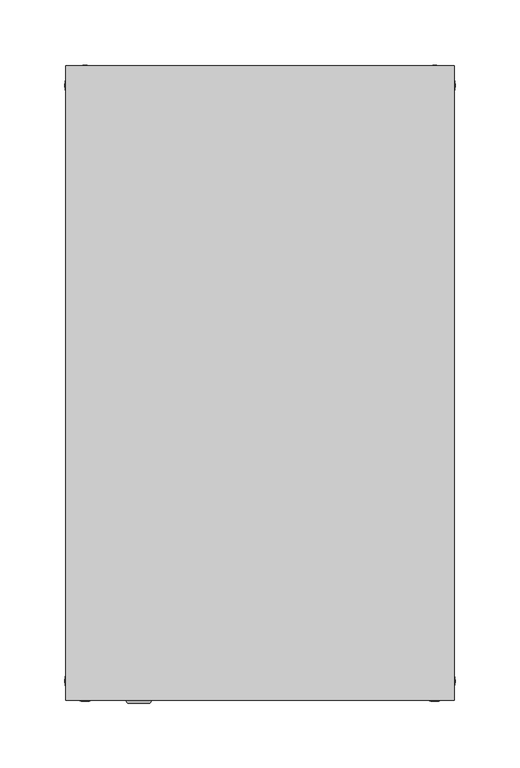
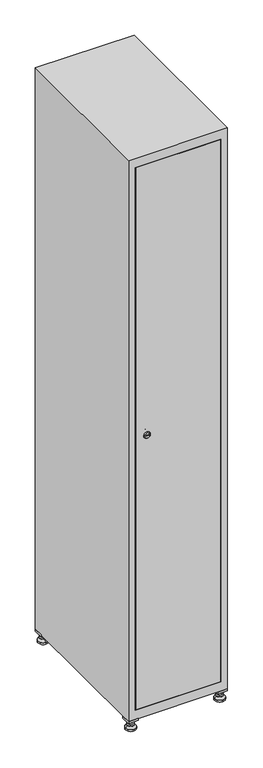
"""IFC4 building model written with IfcOpenShell, lengths in millimetres: furniture geometry."""

import ifcopenshell
import ifcopenshell.guid

model = None  # the IFC model being written
_history = None  # IfcOwnerHistory: only IFC2X3 demands one
_inside = {}  # id of a spatial element -> (the spatial element, [elements in it])
_under = {}  # id of a project, library or spatial element -> (it, [spatial elements below it])
_declared = {}  # id of a project -> (the project, [libraries it declares])
_typed = {}  # id of a type object -> (the type object, [elements of that type])
_made_of = {}  # id of a material, layer set ... -> (it, [elements and type objects made of it])


def new_model(schema):
    """Start an empty IFC model of exactly this schema.

    Asked for "IFC4X3", IfcOpenShell would pick the latest addendum, in which some entities
    have other attributes; the version numbers below select the first issue.
    IFC2X3 requires an IfcOwnerHistory on every rooted entity: one is made here for all.
    """
    global model, _history
    if schema == "IFC4X3":
        model = ifcopenshell.file(schema_version=(4, 3, 0, 0))
    else:
        model = ifcopenshell.file(schema=schema)
    _inside.clear()
    _under.clear()
    _declared.clear()
    _typed.clear()
    _made_of.clear()
    _history = None
    if model.schema == "IFC2X3":
        org = make("IfcOrganization", Name="unknown")
        user = make(
            "IfcPersonAndOrganization",
            ThePerson=make("IfcPerson", FamilyName="unknown"),
            TheOrganization=org,
        )
        app = make(
            "IfcApplication",
            ApplicationDeveloper=org,
            Version="unknown",
            ApplicationFullName="unknown",
            ApplicationIdentifier="unknown",
        )
        _history = make(
            "IfcOwnerHistory",
            OwningUser=user,
            OwningApplication=app,
            ChangeAction="ADDED",
            CreationDate=0,
        )
    return model


def make(cls, **values):
    """One entity of the class cls with the attributes given. An attribute that is None is left unset."""
    return model.create_entity(
        cls, **{name: value for name, value in values.items() if value is not None}
    )


def rooted(cls, **values):
    """An entity with a GlobalId (a new one), such as an element, a storey or a relation."""
    return make(cls, GlobalId=ifcopenshell.guid.new(), OwnerHistory=_history, **values)


def si_unit(unit_type, name, prefix=None):
    """IfcSIUnit, for example si_unit("LENGTHUNIT", "METRE", prefix="MILLI")."""
    return make("IfcSIUnit", UnitType=unit_type, Prefix=prefix, Name=name)


def assignment(units):
    """IfcUnitAssignment: the units of a project."""
    return None if units is None else make("IfcUnitAssignment", Units=units)


def point(xyz):
    """IfcCartesianPoint."""
    return None if xyz is None else make("IfcCartesianPoint", Coordinates=xyz)


def direction(xyz):
    """IfcDirection."""
    return None if xyz is None else make("IfcDirection", DirectionRatios=xyz)


def frame(location, z_axis=None, x_axis=None):
    """IfcAxis2Placement3D, a coordinate frame: its origin and axes. An axis left out is left unset."""
    return make(
        "IfcAxis2Placement3D",
        Location=point(location),
        Axis=direction(z_axis),
        RefDirection=direction(x_axis),
    )


def frame_2d(location, x_axis=None):
    """IfcAxis2Placement2D, a coordinate frame in the plane: its origin and x axis."""
    return make(
        "IfcAxis2Placement2D", Location=point(location), RefDirection=direction(x_axis)
    )


def origin():
    """The frame at (0, 0, 0) with its axes left unset."""
    return frame((0.0, 0.0, 0.0))


def origin_with_axes():
    """The frame at (0, 0, 0) with the z axis (0, 0, 1) and the x axis (1, 0, 0) written out."""
    return frame((0.0, 0.0, 0.0), z_axis=(0.0, 0.0, 1.0), x_axis=(1.0, 0.0, 0.0))


def place(relative_to, where):
    """IfcLocalPlacement: puts the frame where relative to a parent placement (None: the world)."""
    return make(
        "IfcLocalPlacement", PlacementRelTo=relative_to, RelativePlacement=where
    )


def context(
    kind, dimensions, precision=None, world=None, true_north=None, identifier=None
):
    """IfcGeometricRepresentationContext, for example the 3D "Model" context."""
    return make(
        "IfcGeometricRepresentationContext",
        ContextIdentifier=identifier,
        ContextType=kind,
        CoordinateSpaceDimension=dimensions,
        Precision=precision,
        WorldCoordinateSystem=world,
        TrueNorth=true_north,
    )


def project(units=None, contexts=None):
    """IfcProject with its units and contexts."""
    return rooted(
        "IfcProject",
        Name="project",
        RepresentationContexts=contexts,
        UnitsInContext=assignment(units),
    )


def spatial(cls, under=None, at=None, **own):
    """A site, building, storey or space (cls), placed at a placement, below another one or the project."""
    s = rooted(cls, ObjectPlacement=at, **own)
    if under is not None:
        _under.setdefault(under.id(), (under, []))[1].append(s)
    return s


def polyline(points):
    """IfcPolyline through the points."""
    return make("IfcPolyline", Points=[point(p) for p in points])


def circle_curve(where, radius):
    """IfcCircle in the frame where."""
    return make("IfcCircle", Position=where, Radius=radius)


def trimmed(basis, trim1, trim2, sense, master):
    """IfcTrimmedCurve: the piece of a basis curve between two trims."""
    return make(
        "IfcTrimmedCurve",
        BasisCurve=basis,
        Trim1=trim1,
        Trim2=trim2,
        SenseAgreement=sense,
        MasterRepresentation=master,
    )


def segment(curve, same_sense, transition):
    """IfcCompositeCurveSegment."""
    return make(
        "IfcCompositeCurveSegment",
        Transition=transition,
        SameSense=same_sense,
        ParentCurve=curve,
    )


def composite_curve(segments, self_intersect=None):
    """IfcCompositeCurve: segments joined end to end."""
    return make("IfcCompositeCurve", Segments=segments, SelfIntersect=self_intersect)


def outline(outer, holes=None, kind="AREA"):
    """IfcArbitraryClosedProfileDef: a profile drawn as a closed curve; with holes, ...WithVoids."""
    if holes is None:
        return make("IfcArbitraryClosedProfileDef", ProfileType=kind, OuterCurve=outer)
    return make(
        "IfcArbitraryProfileDefWithVoids",
        ProfileType=kind,
        OuterCurve=outer,
        InnerCurves=holes,
    )


def extrude(swept, where, along, depth):
    """IfcExtrudedAreaSolid: the profile swept, set in the frame where, extruded along a direction by depth."""
    return make(
        "IfcExtrudedAreaSolid",
        SweptArea=swept,
        Position=where,
        ExtrudedDirection=direction(along),
        Depth=depth,
    )


def faces_of(points, faces, orient=None, outer=None):
    """IfcFace entities. A face is a list of loops; a loop is a list of indices into points, from 0.

    orient and outer hold one flag for each loop. By default every Orientation is true, the
    first loop of a face is its IfcFaceOuterBound and the others are IfcFaceBound.
    """
    made = []
    for i, loops in enumerate(faces):
        bounds = []
        for j, loop in enumerate(loops):
            is_outer = j == 0 if outer is None else outer[i][j]
            bounds.append(
                make(
                    "IfcFaceOuterBound" if is_outer else "IfcFaceBound",
                    Bound=make("IfcPolyLoop", Polygon=[points[k] for k in loop]),
                    Orientation=True if orient is None else orient[i][j],
                )
            )
        made.append(make("IfcFace", Bounds=bounds))
    return made


def faceted_brep(points, faces, orient=None, outer=None, voids=None):
    """IfcFacetedBrep: a solid bounded by flat faces; with voids (closed shells), ...WithVoids."""
    shared = [point(p) for p in points]
    hull = make("IfcClosedShell", CfsFaces=faces_of(shared, faces, orient, outer))
    if voids is None:
        return make("IfcFacetedBrep", Outer=hull)
    return make(
        "IfcFacetedBrepWithVoids",
        Outer=hull,
        Voids=[
            make(cls, CfsFaces=faces_of(shared, fs, o, b)) for cls, fs, o, b in voids
        ],
    )


def shape(context_of_items, identifier, shape_type, items):
    """IfcShapeRepresentation: the items that make up one representation, for example the "Body"."""
    return make(
        "IfcShapeRepresentation",
        ContextOfItems=context_of_items,
        RepresentationIdentifier=identifier,
        RepresentationType=shape_type,
        Items=items,
    )


def source(mapping_origin, context_of_items, identifier, shape_type, items):
    """IfcRepresentationMap: a shape defined once, which mapped items show again and again."""
    return make(
        "IfcRepresentationMap",
        MappingOrigin=mapping_origin,
        MappedRepresentation=shape(context_of_items, identifier, shape_type, items),
    )


def transform(
    local_origin,
    x_axis=None,
    y_axis=None,
    z_axis=None,
    scale=None,
    scale2=None,
    scale3=None,
    uniform=True,
):
    """IfcCartesianTransformationOperator3D, or its non-uniform kind. x_axis, y_axis, z_axis: its Axis1, 2, 3."""
    if uniform:
        return make(
            "IfcCartesianTransformationOperator3D",
            Axis1=direction(x_axis),
            Axis2=direction(y_axis),
            LocalOrigin=point(local_origin),
            Scale=scale,
            Axis3=direction(z_axis),
        )
    return make(
        "IfcCartesianTransformationOperator3DnonUniform",
        Axis1=direction(x_axis),
        Axis2=direction(y_axis),
        LocalOrigin=point(local_origin),
        Scale=scale,
        Axis3=direction(z_axis),
        Scale2=scale2,
        Scale3=scale3,
    )


def mapped(mapping_source, mapping_target):
    """IfcMappedItem: shows the shape of a source again, moved by a transform."""
    return make(
        "IfcMappedItem", MappingSource=mapping_source, MappingTarget=mapping_target
    )


def made_of(thing, what):
    """Note that an element or type object is made of a material, layer set ...; save() writes the relation."""
    if what is not None:
        _made_of.setdefault(what.id(), (what, []))[1].append(thing)
    return thing


def element(
    cls,
    number,
    at=None,
    inside=None,
    cuts=None,
    type_object=None,
    material=None,
    context=None,
    identifier="Body",
    shape_type=None,
    held_by="IfcProductDefinitionShape",
    body=None,
    shapes=None,
    **own,
):
    """One element of the class cls, such as IfcWall. Its Tag is "e" and its number.

    at: its placement. inside: the storey or other place that contains it. cuts: it is an
    opening in that element (IfcRelVoidsElement). A single representation is given by context,
    identifier, shape_type and body (its items); several are given by shapes. held_by: the class
    of the entity that holds the representations. save() writes the other relations.
    """
    e = rooted(cls, Tag="e%d" % number, ObjectPlacement=at, **own)
    if body is not None:
        shapes = [shape(context, identifier, shape_type, body)]
    if shapes is not None:
        e.Representation = make(held_by, Representations=shapes)
    if inside is not None:
        _inside.setdefault(inside.id(), (inside, []))[1].append(e)
    if cuts is not None:
        rooted(
            "IfcRelVoidsElement", RelatingBuildingElement=cuts, RelatedOpeningElement=e
        )
    if type_object is not None:
        _typed.setdefault(type_object.id(), (type_object, []))[1].append(e)
    return made_of(e, material)


def aggregate(whole, parts):
    """IfcRelAggregates: a whole, such as a stair, and the parts it consists of."""
    return rooted("IfcRelAggregates", RelatingObject=whole, RelatedObjects=parts)


def save(model, path):
    """Write the relations noted so far, then the file.

    IfcRelAggregates (storeys below a building ...), IfcRelContainedInSpatialStructure (elements
    in a storey), IfcRelDefinesByType, IfcRelAssociatesMaterial and IfcRelDeclares: one each for
    every whole, place, type object, material and project.
    """
    for whole, parts in _under.values():
        aggregate(whole, parts)
    for where, things in _inside.values():
        rooted(
            "IfcRelContainedInSpatialStructure",
            RelatedElements=things,
            RelatingStructure=where,
        )
    for kind, things in _typed.values():
        rooted("IfcRelDefinesByType", RelatedObjects=things, RelatingType=kind)
    for what, things in _made_of.values():
        rooted("IfcRelAssociatesMaterial", RelatedObjects=things, RelatingMaterial=what)
    for by, libraries in _declared.values():
        rooted("IfcRelDeclares", RelatingContext=by, RelatedDefinitions=libraries)
    model.write(path)


def plane_surface(at):
    """IfcPlane: the flat surface through the origin of the frame at, square to its z axis."""
    return make("IfcPlane", Position=at)


def revolved_surface(curve, axis_point, axis_direction):
    """IfcSurfaceOfRevolution: the curve turned about the line through axis_point along axis_direction."""
    return make(
        "IfcSurfaceOfRevolution",
        SweptCurve=make("IfcArbitraryOpenProfileDef", ProfileType="CURVE", Curve=curve),
        AxisPosition=make("IfcAxis1Placement", Location=point(axis_point), Axis=direction(axis_direction)),
    )


def advanced_brep(points, edges, surfaces, faces):
    """IfcAdvancedBrep: a solid bounded by faces that lie on surfaces and meet in shared edges.

    An edge is (start, end): straight between two places in points (the first is 0);
    or (start, end, curve); or (start, end, curve, False) where it runs against its curve.
    A face is (place in surfaces, loops), or (place, loops, False) where it looks against
    its surface's normal. A loop lists edges by number (the first is 1), with a minus sign
    where the edge is run from its end to its start. The first loop is the outer one.
    """
    corners = [point(p) for p in points]
    vertices = [make("IfcVertexPoint", VertexGeometry=c) for c in corners]
    made = []
    for start, end, *more in edges:
        made.append(
            make(
                "IfcEdgeCurve",
                EdgeStart=vertices[start],
                EdgeEnd=vertices[end],
                EdgeGeometry=more[0] if more else make("IfcPolyline", Points=[corners[start], corners[end]]),
                SameSense=more[1] if len(more) > 1 else True,
            )
        )
    hull = []
    for where, loops, *sense in faces:
        bounds = []
        for j, loop in enumerate(loops):
            ring = [make("IfcOrientedEdge", EdgeElement=made[abs(k) - 1], Orientation=k > 0) for k in loop]
            bounds.append(
                make(
                    "IfcFaceOuterBound" if j == 0 else "IfcFaceBound",
                    Bound=make("IfcEdgeLoop", EdgeList=ring),
                    Orientation=True,
                )
            )
        hull.append(make("IfcAdvancedFace", Bounds=bounds, FaceSurface=surfaces[where], SameSense=sense[0] if sense else True))
    return make("IfcAdvancedBrep", Outer=make("IfcClosedShell", CfsFaces=hull))


def furniture_f16ef506(model_context):
    return source(origin(), model_context, "Body", "SolidModel", [
        extrude(outline(polyline([(100.0, 245.0), (100.0, 215.0), (70.0, 215.0), (70.0, 245.0), (100.0, 245.0)]), holes=[polyline([(98.0, 243.0), (72.0, 243.0), (72.0, 217.0), (98.0, 217.0), (98.0, 243.0)])]), frame((0.0, 0.0, 28.5), z_axis=(0.0, 0.0, 1.0), x_axis=(1.0, 0.0, 0.0)), (0.0, 0.0, 1.0), 6.5),
        extrude(outline(polyline([(70.0, -245.0), (70.0, -215.0), (100.0, -215.0), (100.0, -245.0), (70.0, -245.0)]), holes=[polyline([(72.0, -243.0), (98.0, -243.0), (98.0, -217.0), (72.0, -217.0), (72.0, -243.0)])]), frame((0.0, 0.0, 28.5), z_axis=(0.0, 0.0, 1.0), x_axis=(1.0, 0.0, 0.0)), (0.0, 0.0, 1.0), 6.5),
        extrude(outline(polyline([(-170.0, 245.0), (-170.0, 215.0), (-200.0, 215.0), (-200.0, 245.0), (-170.0, 245.0)]), holes=[polyline([(-172.0, 243.0), (-198.0, 243.0), (-198.0, 217.0), (-172.0, 217.0), (-172.0, 243.0)])]), frame((0.0, 0.0, 28.5), z_axis=(0.0, 0.0, 1.0), x_axis=(1.0, 0.0, 0.0)), (0.0, 0.0, 1.0), 6.5),
        extrude(outline(polyline([(-170.0, -215.0), (-170.0, -245.0), (-200.0, -245.0), (-200.0, -215.0), (-170.0, -215.0)]), holes=[polyline([(-198.0, -243.0), (-172.0, -243.0), (-172.0, -217.0), (-198.0, -217.0), (-198.0, -243.0)])]), frame((0.0, 0.0, 28.5), z_axis=(0.0, 0.0, 1.0), x_axis=(1.0, 0.0, 0.0)), (0.0, 0.0, 1.0), 6.5),
        extrude(outline(composite_curve([segment(trimmed(circle_curve(frame_2d((-185.0, 230.0)), 5.0), [point((-180.0, 230.0))], [point((-190.0, 230.0))], False, "CARTESIAN"), True, "CONTINUOUS"), segment(trimmed(circle_curve(frame_2d((-185.0, 230.0)), 5.0), [point((-190.0, 230.0))], [point((-180.0, 230.0))], False, "CARTESIAN"), True, "CONTINUOUS")], self_intersect=False)), frame((0.0, 0.0, 19.6), z_axis=(0.0, 0.0, 1.0), x_axis=(1.0, 0.0, 0.0)), (0.0, 0.0, 1.0), 15.4),
        extrude(outline(composite_curve([segment(trimmed(circle_curve(frame_2d((-185.0, -230.0)), 5.0), [point((-180.0, -230.0))], [point((-190.0, -230.0))], False, "CARTESIAN"), True, "CONTINUOUS"), segment(trimmed(circle_curve(frame_2d((-185.0, -230.0)), 5.0), [point((-190.0, -230.0))], [point((-180.0, -230.0))], False, "CARTESIAN"), True, "CONTINUOUS")], self_intersect=False)), frame((0.0, 0.0, 19.6), z_axis=(0.0, 0.0, 1.0), x_axis=(1.0, 0.0, 0.0)), (0.0, 0.0, 1.0), 15.4),
        extrude(outline(composite_curve([segment(trimmed(circle_curve(frame_2d((85.0, 230.0)), 5.0), [point((90.0, 230.0))], [point((80.0, 230.0))], False, "CARTESIAN"), True, "CONTINUOUS"), segment(trimmed(circle_curve(frame_2d((85.0, 230.0)), 5.0), [point((80.0, 230.0))], [point((90.0, 230.0))], False, "CARTESIAN"), True, "CONTINUOUS")], self_intersect=False)), frame((0.0, 0.0, 19.6), z_axis=(0.0, 0.0, 1.0), x_axis=(1.0, 0.0, 0.0)), (0.0, 0.0, 1.0), 15.4),
        extrude(outline(polyline([(73.4529946, 230.0), (79.2264973, 240.0), (90.7735027, 240.0), (96.5470054, 230.0), (90.7735027, 220.0), (79.2264973, 220.0), (73.4529946, 230.0)])), frame((0.0, 0.0, 13.6), z_axis=(0.0, 0.0, 1.0), x_axis=(1.0, 0.0, 0.0)), (0.0, 0.0, 1.0), 6.0),
        extrude(outline(composite_curve([segment(trimmed(circle_curve(frame_2d((85.0, -230.0)), 5.0), [point((90.0, -230.0))], [point((80.0, -230.0))], False, "CARTESIAN"), True, "CONTINUOUS"), segment(trimmed(circle_curve(frame_2d((85.0, -230.0)), 5.0), [point((80.0, -230.0))], [point((90.0, -230.0))], False, "CARTESIAN"), True, "CONTINUOUS")], self_intersect=False)), frame((0.0, 0.0, 19.6), z_axis=(0.0, 0.0, 1.0), x_axis=(1.0, 0.0, 0.0)), (0.0, 0.0, 1.0), 15.4),
        extrude(outline(polyline([(73.4529946, -230.0), (79.2264973, -220.0), (90.7735027, -220.0), (96.5470054, -230.0), (90.7735027, -240.0), (79.2264973, -240.0), (73.4529946, -230.0)])), frame((0.0, 0.0, 13.6), z_axis=(0.0, 0.0, 1.0), x_axis=(1.0, 0.0, 0.0)), (0.0, 0.0, 1.0), 6.0),
        extrude(outline(composite_curve([segment(trimmed(circle_curve(frame_2d((85.0, 230.0)), 5.0), [point((90.0, 230.0))], [point((80.0, 230.0))], False, "CARTESIAN"), True, "CONTINUOUS"), segment(trimmed(circle_curve(frame_2d((85.0, 230.0)), 5.0), [point((80.0, 230.0))], [point((90.0, 230.0))], False, "CARTESIAN"), True, "CONTINUOUS")], self_intersect=False)), frame((0.0, 0.0, 12.1), z_axis=(0.0, 0.0, 1.0), x_axis=(1.0, 0.0, 0.0)), (0.0, 0.0, 1.0), 1.5),
        extrude(outline(composite_curve([segment(trimmed(circle_curve(frame_2d((85.0, -230.0)), 5.0), [point((90.0, -230.0))], [point((80.0, -230.0))], False, "CARTESIAN"), True, "CONTINUOUS"), segment(trimmed(circle_curve(frame_2d((85.0, -230.0)), 5.0), [point((80.0, -230.0))], [point((90.0, -230.0))], False, "CARTESIAN"), True, "CONTINUOUS")], self_intersect=False)), frame((0.0, 0.0, 12.1), z_axis=(0.0, 0.0, 1.0), x_axis=(1.0, 0.0, 0.0)), (0.0, 0.0, 1.0), 1.5),
        extrude(outline(polyline([(-196.5470054, 230.0), (-190.7735027, 240.0), (-179.2264973, 240.0), (-173.4529946, 230.0), (-179.2264973, 220.0), (-190.7735027, 220.0), (-196.5470054, 230.0)])), frame((0.0, 0.0, 13.6), z_axis=(0.0, 0.0, 1.0), x_axis=(1.0, 0.0, 0.0)), (0.0, 0.0, 1.0), 6.0),
        extrude(outline(polyline([(-196.5470054, -230.0), (-190.7735027, -220.0), (-179.2264973, -220.0), (-173.4529946, -230.0), (-179.2264973, -240.0), (-190.7735027, -240.0), (-196.5470054, -230.0)])), frame((0.0, 0.0, 13.6), z_axis=(0.0, 0.0, 1.0), x_axis=(1.0, 0.0, 0.0)), (0.0, 0.0, 1.0), 6.0),
        extrude(outline(composite_curve([segment(trimmed(circle_curve(frame_2d((-185.0, 230.0)), 5.0), [point((-185.0, 235.0))], [point((-185.0, 225.0))], False, "CARTESIAN"), True, "CONTINUOUS"), segment(trimmed(circle_curve(frame_2d((-185.0, 230.0)), 5.0), [point((-185.0, 225.0))], [point((-185.0, 235.0))], False, "CARTESIAN"), True, "CONTINUOUS")], self_intersect=False)), frame((0.0, 0.0, 12.1), z_axis=(0.0, 0.0, 1.0), x_axis=(1.0, 0.0, 0.0)), (0.0, 0.0, 1.0), 1.5),
        extrude(outline(composite_curve([segment(trimmed(circle_curve(frame_2d((-185.0, -230.0)), 5.0), [point((-180.0, -230.0))], [point((-190.0, -230.0))], False, "CARTESIAN"), True, "CONTINUOUS"), segment(trimmed(circle_curve(frame_2d((-185.0, -230.0)), 5.0), [point((-190.0, -230.0))], [point((-180.0, -230.0))], False, "CARTESIAN"), True, "CONTINUOUS")], self_intersect=False)), frame((0.0, 0.0, 12.1), z_axis=(0.0, 0.0, 1.0), x_axis=(1.0, 0.0, 0.0)), (0.0, 0.0, 1.0), 1.5),
        extrude(outline(composite_curve([segment(trimmed(circle_curve(frame_2d((85.0, 230.0)), 15.75), [point((100.75, 230.0))], [point((69.25, 230.0))], False, "CARTESIAN"), True, "CONTINUOUS"), segment(trimmed(circle_curve(frame_2d((85.0, 230.0)), 15.75), [point((69.25, 230.0))], [point((100.75, 230.0))], False, "CARTESIAN"), True, "CONTINUOUS")], self_intersect=False)), origin_with_axes(), (0.0, 0.0, 1.0), 5.1),
        extrude(outline(composite_curve([segment(trimmed(circle_curve(frame_2d((85.0, -230.0)), 15.75), [point((85.0, -214.25))], [point((85.0, -245.75))], False, "CARTESIAN"), True, "CONTINUOUS"), segment(trimmed(circle_curve(frame_2d((85.0, -230.0)), 15.75), [point((85.0, -245.75))], [point((85.0, -214.25))], False, "CARTESIAN"), True, "CONTINUOUS")], self_intersect=False)), origin_with_axes(), (0.0, 0.0, 1.0), 5.1),
        extrude(outline(composite_curve([segment(trimmed(circle_curve(frame_2d((-185.0, -230.0)), 15.75), [point((-169.25, -230.0))], [point((-200.75, -230.0))], False, "CARTESIAN"), True, "CONTINUOUS"), segment(trimmed(circle_curve(frame_2d((-185.0, -230.0)), 15.75), [point((-200.75, -230.0))], [point((-169.25, -230.0))], False, "CARTESIAN"), True, "CONTINUOUS")], self_intersect=False)), origin_with_axes(), (0.0, 0.0, 1.0), 5.1),
        extrude(outline(composite_curve([segment(trimmed(circle_curve(frame_2d((-185.0, 230.0)), 15.75), [point((-169.25, 230.0))], [point((-200.75, 230.0))], False, "CARTESIAN"), True, "CONTINUOUS"), segment(trimmed(circle_curve(frame_2d((-185.0, 230.0)), 15.75), [point((-200.75, 230.0))], [point((-169.25, 230.0))], False, "CARTESIAN"), True, "CONTINUOUS")], self_intersect=False)), origin_with_axes(), (0.0, 0.0, 1.0), 5.1),
        advanced_brep(
        [(-185.0, 245.75, 5.1), (-185.0, 214.25, 5.1), (-185.0, 239.5, 12.1), (-185.0, 220.5, 12.1)],
        [
            (0, 1, circle_curve(frame((-185.0, 230.0, 5.1), z_axis=(0.0, 0.0, -1.0), x_axis=(0.0, 1.0, 0.0)), 15.75)),
            (1, 0, circle_curve(frame((-185.0, 230.0, 5.1), z_axis=(0.0, 0.0, -1.0), x_axis=(0.0, -1.0, 0.0)), 15.75)),
            (2, 3, circle_curve(frame((-185.0, 230.0, 12.1), z_axis=(0.0, 0.0, 1.0), x_axis=(0.0, -1.0, 0.0)), 9.5)),
            (3, 2, circle_curve(frame((-185.0, 230.0, 12.1), z_axis=(0.0, 0.0, 1.0), x_axis=(0.0, 1.0, 0.0)), 9.5)),
            (3, 1),
            (0, 2),
        ],
        [
            plane_surface(frame((-185.0, 230.0, 5.1), z_axis=(0.0, 0.0, -1.0), x_axis=(1.0, 0.0, 0.0))),
            plane_surface(frame((-185.0, 230.0, 12.1), z_axis=(0.0, 0.0, 1.0), x_axis=(1.0, 0.0, 0.0))),
            revolved_surface(polyline([(-185.0, 220.5, 12.099999999999998), (-185.0, 214.25, 5.099999999999998)]), (-185.0, 230.0, 22.74), (0.0, 0.0, -1.0)),
            revolved_surface(polyline([(-185.0, 239.5, 12.099999999999998), (-185.0, 245.75, 5.099999999999998)]), (-185.0, 230.0, 22.74), (0.0, 0.0, -1.0)),
        ],
        [
            (0, [[1, 2]]),
            (1, [[3, 4]]),
            (2, [[-4, 5, -1, 6]]),
            (3, [[-3, -6, -2, -5]]),
        ],
    ),
        advanced_brep(
        [(85.0, 245.75, 5.1), (85.0, 214.25, 5.1), (85.0, 239.5, 12.1), (85.0, 220.5, 12.1)],
        [
            (0, 1, circle_curve(frame((85.0, 230.0, 5.1), z_axis=(0.0, 0.0, -1.0), x_axis=(0.0, 1.0, 0.0)), 15.75)),
            (1, 0, circle_curve(frame((85.0, 230.0, 5.1), z_axis=(0.0, 0.0, -1.0), x_axis=(0.0, -1.0, 0.0)), 15.75)),
            (2, 3, circle_curve(frame((85.0, 230.0, 12.1), z_axis=(0.0, 0.0, 1.0), x_axis=(0.0, -1.0, 0.0)), 9.5)),
            (3, 2, circle_curve(frame((85.0, 230.0, 12.1), z_axis=(0.0, 0.0, 1.0), x_axis=(0.0, 1.0, 0.0)), 9.5)),
            (3, 1),
            (0, 2),
        ],
        [
            plane_surface(frame((85.0, 230.0, 5.1), z_axis=(0.0, 0.0, -1.0), x_axis=(1.0, 0.0, 0.0))),
            plane_surface(frame((85.0, 230.0, 12.1), z_axis=(0.0, 0.0, 1.0), x_axis=(1.0, 0.0, 0.0))),
            revolved_surface(polyline([(85.0, 220.5, 12.099999999999998), (85.0, 214.25, 5.099999999999998)]), (85.0, 230.0, 22.74), (0.0, 0.0, -1.0)),
            revolved_surface(polyline([(85.0, 239.5, 12.099999999999998), (85.0, 245.75, 5.099999999999998)]), (85.0, 230.0, 22.74), (0.0, 0.0, -1.0)),
        ],
        [
            (0, [[1, 2]]),
            (1, [[3, 4]]),
            (2, [[-4, 5, -1, 6]]),
            (3, [[-3, -6, -2, -5]]),
        ],
    ),
        advanced_brep(
        [(94.5, -230.0, 12.1), (75.5, -230.0, 12.1), (100.75, -230.0, 5.1), (69.25, -230.0, 5.1)],
        [
            (0, 1, circle_curve(frame((85.0, -230.0, 12.1), z_axis=(0.0, 0.0, 1.0), x_axis=(1.0, 0.0, 0.0)), 9.5)),
            (1, 0, circle_curve(frame((85.0, -230.0, 12.1), z_axis=(0.0, 0.0, 1.0), x_axis=(-1.0, 0.0, 0.0)), 9.5)),
            (2, 3, circle_curve(frame((85.0, -230.0, 5.1), z_axis=(0.0, 0.0, -1.0), x_axis=(-1.0, 0.0, 0.0)), 15.75)),
            (3, 2, circle_curve(frame((85.0, -230.0, 5.1), z_axis=(0.0, 0.0, -1.0), x_axis=(1.0, 0.0, 0.0)), 15.75)),
            (3, 1),
            (0, 2),
        ],
        [
            plane_surface(frame((85.0, -230.0, 12.1), z_axis=(0.0, 0.0, 1.0), x_axis=(0.0, 1.0, 0.0))),
            plane_surface(frame((85.0, -230.0, 5.1), z_axis=(0.0, 0.0, -1.0), x_axis=(0.0, 1.0, 0.0))),
            revolved_surface(polyline([(94.5, -230.0, 12.099999999999998), (100.75, -230.0, 5.099999999999998)]), (85.0, -230.0, 22.74), (0.0, 0.0, -1.0)),
            revolved_surface(polyline([(75.5, -230.0, 12.099999999999998), (69.25, -230.0, 5.099999999999998)]), (85.0, -230.0, 22.74), (0.0, 0.0, -1.0)),
        ],
        [
            (0, [[1, 2]]),
            (1, [[3, 4]]),
            (2, [[-4, 5, -1, 6]]),
            (3, [[-3, -6, -2, -5]]),
        ],
    ),
        advanced_brep(
        [(-175.5, -230.0, 12.1), (-194.5, -230.0, 12.1), (-169.25, -230.0, 5.1), (-200.75, -230.0, 5.1)],
        [
            (0, 1, circle_curve(frame((-185.0, -230.0, 12.1), z_axis=(0.0, 0.0, 1.0), x_axis=(1.0, 0.0, 0.0)), 9.5)),
            (1, 0, circle_curve(frame((-185.0, -230.0, 12.1), z_axis=(0.0, 0.0, 1.0), x_axis=(-1.0, 0.0, 0.0)), 9.5)),
            (2, 3, circle_curve(frame((-185.0, -230.0, 5.1), z_axis=(0.0, 0.0, -1.0), x_axis=(-1.0, 0.0, 0.0)), 15.75)),
            (3, 2, circle_curve(frame((-185.0, -230.0, 5.1), z_axis=(0.0, 0.0, -1.0), x_axis=(1.0, 0.0, 0.0)), 15.75)),
            (3, 1),
            (0, 2),
        ],
        [
            plane_surface(frame((-185.0, -230.0, 12.1), z_axis=(0.0, 0.0, 1.0), x_axis=(0.0, 1.0, 0.0))),
            plane_surface(frame((-185.0, -230.0, 5.1), z_axis=(0.0, 0.0, -1.0), x_axis=(0.0, 1.0, 0.0))),
            revolved_surface(polyline([(-175.5, -230.0, 12.099999999999998), (-169.25, -230.0, 5.099999999999998)]), (-185.0, -230.0, 22.74), (0.0, 0.0, -1.0)),
            revolved_surface(polyline([(-194.5, -230.0, 12.099999999999998), (-200.75, -230.0, 5.099999999999998)]), (-185.0, -230.0, 22.74), (0.0, 0.0, -1.0)),
        ],
        [
            (0, [[1, 2]]),
            (1, [[3, 4]]),
            (2, [[-4, 5, -1, 6]]),
            (3, [[-3, -6, -2, -5]]),
        ],
    ),
        extrude(outline(composite_curve([segment(trimmed(circle_curve(frame_2d((935.0, -170.3989466)), 7.0), [point((942.0, -170.3989466))], [point((928.0, -170.3989466))], False, "CARTESIAN"), True, "CONTINUOUS"), segment(polyline([(928.0, -170.3989466), (928.0, -142.3989466)]), True, "CONTINUOUS"), segment(trimmed(circle_curve(frame_2d((935.0, -142.3989466)), 7.0), [point((928.0, -142.3989466))], [point((942.0, -142.3989466))], False, "CARTESIAN"), True, "CONTINUOUS"), segment(polyline([(942.0, -142.3989466), (942.0, -170.3989466)]), True, "CONTINUOUS")], self_intersect=False)), frame((0.0, -227.0, 0.0), z_axis=(0.0, 1.0, 0.0), x_axis=(0.0, 0.0, 1.0)), (0.0, 0.0, 1.0), 2.0),
        advanced_brep(
        [(-135.1, -247.2, 935.0), (-152.1, -247.2, 935.0), (-148.6, -247.2, 933.75), (-148.6, -247.2, 936.25), (-138.6, -247.2, 936.25), (-138.6, -247.2, 933.75), (-133.1, -245.0, 935.0), (-154.1, -245.0, 935.0), (-148.6, -245.0, 936.25), (-148.6, -245.0, 933.75), (-138.6, -245.0, 933.75), (-138.6, -245.0, 936.25)],
        [
            (0, 1, circle_curve(frame((-143.6, -247.2, 935.0), z_axis=(0.0, -1.0, 0.0), x_axis=(1.0, 0.0, 0.0)), 8.5)),
            (1, 0, circle_curve(frame((-143.6, -247.2, 935.0), z_axis=(0.0, -1.0, 0.0), x_axis=(-1.0, 0.0, 0.0)), 8.5)),
            (2, 3),
            (3, 4),
            (4, 5),
            (5, 2),
            (6, 7, circle_curve(frame((-143.6, -245.0, 935.0), z_axis=(0.0, 1.0, 0.0), x_axis=(-1.0, 0.0, 0.0)), 10.5)),
            (7, 6, circle_curve(frame((-143.6, -245.0, 935.0), z_axis=(0.0, 1.0, 0.0), x_axis=(1.0, 0.0, 0.0)), 10.5)),
            (8, 9),
            (9, 10),
            (10, 11),
            (11, 8),
            (0, 6),
            (7, 1),
            (8, 3),
            (2, 9),
            (11, 4),
            (10, 5),
        ],
        [
            plane_surface(frame((-143.6, -247.2, 935.0), z_axis=(0.0, -1.0, 0.0), x_axis=(0.0, 0.0, 1.0))),
            plane_surface(frame((-143.6, -245.0, 935.0), z_axis=(0.0, 1.0, 0.0), x_axis=(0.0, 0.0, 1.0))),
            revolved_surface(polyline([(-135.1, -247.2, 935.0), (-133.1, -245.0, 935.0)]), (-143.6, -256.55, 935.0), (0.0, 1.0, 0.0)),
            revolved_surface(polyline([(-152.1, -247.2, 935.0), (-154.1, -245.0, 935.0)]), (-143.6, -256.55, 935.0), (0.0, 1.0, 0.0)),
            plane_surface(frame((-148.6, -245.0, 933.75), z_axis=(1.0, 0.0, 0.0), x_axis=(0.0, -1.0, 0.0))),
            plane_surface(frame((-148.6, -245.0, 936.25), z_axis=(0.0, 0.0, -1.0), x_axis=(0.0, -1.0, 0.0))),
            plane_surface(frame((-138.6, -245.0, 936.25), z_axis=(-1.0, 0.0, 0.0), x_axis=(0.0, -1.0, 0.0))),
            plane_surface(frame((-138.6, -245.0, 933.75), z_axis=(0.0, 0.0, 1.0), x_axis=(0.0, -1.0, 0.0))),
        ],
        [
            (0, [[1, 2], [3, 4, 5, 6]]),
            (1, [[7, 8], [9, 10, 11, 12]]),
            (2, [[-1, 13, -8, 14]]),
            (3, [[-2, -14, -7, -13]]),
            (4, [[15, -3, 16, -9]]),
            (5, [[-15, -12, 17, -4]]),
            (6, [[-17, -11, 18, -5]]),
            (7, [[-16, -6, -18, -10]]),
        ],
    ),
        extrude(outline(polyline([(78.6, -227.0), (78.6, -245.0), (-178.6, -245.0), (-178.6, -227.0), (78.6, -227.0)])), frame((0.0, 0.0, 66.2), z_axis=(0.0, 0.0, 1.0), x_axis=(1.0, 0.0, 0.0)), (0.0, 0.0, 1.0), 1737.6),
        faceted_brep([(100.0, -245.0, 35.0), (100.0, -245.0, 1835.0), (-200.0, -245.0, 1835.0), (-200.0, -245.0, 35.0), (79.6, -245.0, 1804.8), (79.6, -245.0, 65.2), (-179.6, -245.0, 65.2), (-179.6, -245.0, 1804.8), (100.0, 245.0, 35.0), (-200.0, 245.0, 35.0), (100.0, 245.0, 1835.0), (-200.0, 245.0, 1835.0), (79.6, 242.0, 1804.8), (79.6, 242.0, 65.2), (-200.0, 245.0, 1804.8), (-179.6, 242.0, 1804.8), (-179.6, 242.0, 65.2)], [[[0, 1, 2, 3], [4, 5, 6, 7]], [[8, 0, 3, 9]], [[1, 0, 8, 10]], [[1, 10, 11, 2]], [[4, 12, 13, 5]], [[9, 3, 2, 11, 14]], [[10, 8, 9, 14, 11]], [[12, 15, 16, 13]], [[15, 7, 6, 16]], [[4, 7, 15, 12]], [[6, 5, 13, 16]]]),
    ])


if __name__ == "__main__":
    model = new_model("IFC4")
    model_context = context("Model", 3, world=origin())
    ifc_project = project(units=[si_unit("LENGTHUNIT", "METRE", prefix="MILLI")], contexts=[model_context])
    site = spatial("IfcSite", under=ifc_project)
    building = spatial("IfcBuilding", under=site)
    placement = place(None, origin())
    furniture_shape = furniture_f16ef506(model_context)
    element("IfcFurniture", 1, at=placement, inside=building, context=model_context, shape_type="MappedRepresentation", body=[
        mapped(furniture_shape, transform((0.0, 0.0, 0.0), x_axis=(1.0, 0.0, 0.0), y_axis=(0.0, 1.0, 0.0), z_axis=(0.0, 0.0, 1.0))),
    ])
    save(model, "model.ifc")
